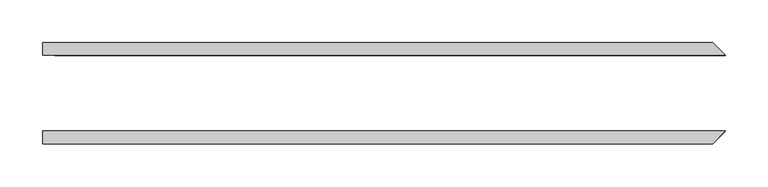
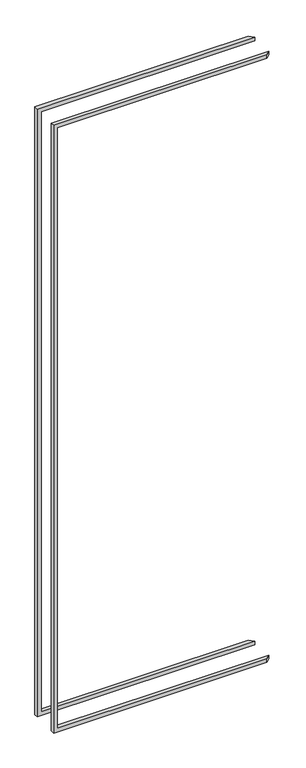
"""IFC4 building model written with IfcOpenShell, lengths in millimetres: proxy geometry."""

from ifc_helpers import new_model, si_unit, origin, place, context, project, spatial, faceted_brep, source, transform, mapped, element, save


def generic_models_34a61496(model_context):
    return source(origin(), model_context, "Body", "Brep", [
        faceted_brep([(-800.89375, 59.53125, 2392.3625), (-800.89375, 44.45, 2392.3625), (0.0, 44.45, 2392.3625), (-15.08125, 59.53125, 2392.3625), (-800.89375, 44.45, 26.9875), (-800.89375, 59.53125, 26.9875), (-15.08125, 59.53125, 26.9875), (0.0, 44.45, 26.9875), (-15.08125, 59.53125, 2378.075), (-786.60625, 59.53125, 2378.075), (-786.60625, 59.53125, 41.275), (-15.08125, 59.53125, 41.275), (0.0, 44.45, 41.275), (-786.60625, 44.45, 41.275), (-786.60625, 44.45, 2378.075), (0.0, 44.45, 2378.075)], [[[0, 1, 2, 3]], [[4, 5, 6, 7]], [[6, 5, 0, 3, 8, 9, 10, 11]], [[1, 0, 5, 4]], [[4, 7, 12, 13, 14, 15, 2, 1]], [[9, 14, 13, 10]], [[15, 14, 9, 8]], [[3, 2, 15, 8]], [[11, 10, 13, 12]], [[11, 12, 7, 6]]]),
        faceted_brep([(-800.89375, -44.45, 2392.3625), (-800.89375, -59.53125, 2392.3625), (-15.08125, -59.53125, 2392.3625), (0.0, -44.45, 2392.3625), (-800.89375, -59.53125, 26.9875), (-800.89375, -44.45, 26.9875), (0.0, -44.45, 26.9875), (-15.08125, -59.53125, 26.9875), (0.0, -44.45, 2378.075), (-786.60625, -44.45, 2378.075), (-786.60625, -44.45, 41.275), (0.0, -44.45, 41.275), (-15.08125, -59.53125, 41.275), (-786.60625, -59.53125, 41.275), (-786.60625, -59.53125, 2378.075), (-15.08125, -59.53125, 2378.075)], [[[0, 1, 2, 3]], [[4, 5, 6, 7]], [[6, 5, 0, 3, 8, 9, 10, 11]], [[1, 0, 5, 4]], [[4, 7, 12, 13, 14, 15, 2, 1]], [[9, 14, 13, 10]], [[8, 15, 14, 9]], [[3, 2, 15, 8]], [[11, 10, 13, 12]], [[11, 12, 7, 6]]]),
    ])


if __name__ == "__main__":
    model = new_model("IFC4")
    model_context = context("Model", 3, world=origin())
    ifc_project = project(units=[si_unit("LENGTHUNIT", "METRE", prefix="MILLI")], contexts=[model_context])
    site = spatial("IfcSite", under=ifc_project)
    building = spatial("IfcBuilding", under=site)
    placement = place(None, origin())
    generic_models_shape = generic_models_34a61496(model_context)
    element("IfcBuildingElementProxy", 1, Name="Generic Models", at=placement, inside=building, context=model_context, shape_type="MappedRepresentation", body=[
        mapped(generic_models_shape, transform((0.0, 0.0, 0.0), x_axis=(1.0, 0.0, 0.0), y_axis=(0.0, 1.0, 0.0), z_axis=(0.0, 0.0, 1.0))),
    ])
    save(model, "model.ifc")
